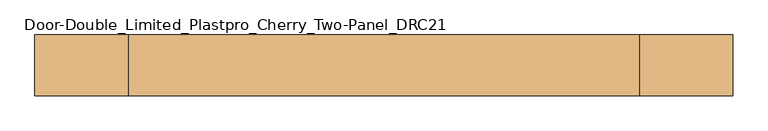
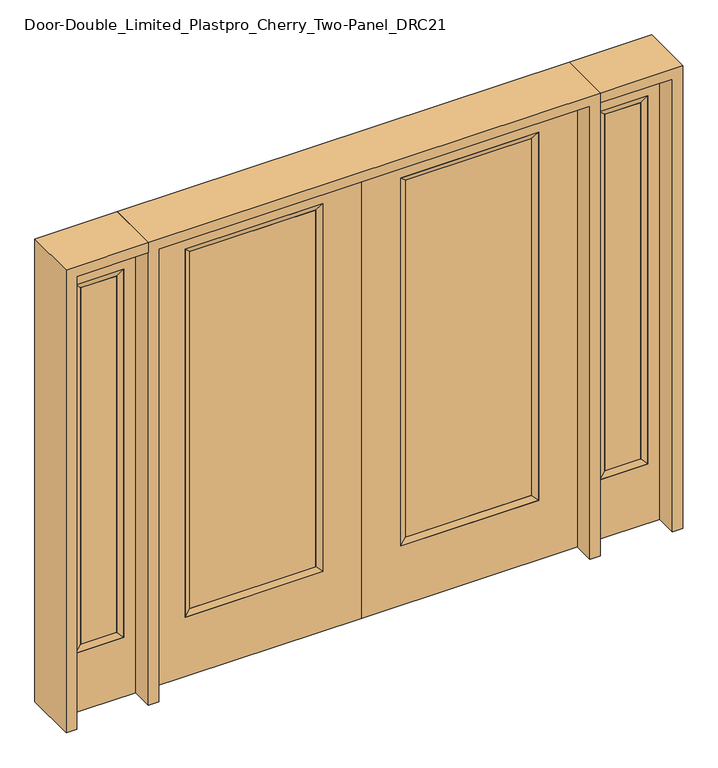
"""IFC4 building model written with IfcOpenShell, lengths in millimetres: door geometry, Door-Double_Limited_Plastpro_Cherry_Two-Panel_DRC21."""

from ifc_helpers import new_model, si_unit, frame, origin, place, context, project, spatial, polyline, outline, extrude, faceted_brep, source, transform, mapped, element, save


def door_double_limited_plastpro_cherry_two_panel_drc21_fe71eadb(model_context):
    return source(origin(), model_context, "Body", "SolidModel", [
        extrude(outline(polyline([(190.5, 12.7), (723.9, 12.7), (723.9, -12.7), (190.5, -12.7), (190.5, 12.7)])), frame((0.0, 0.0, 284.95625), z_axis=(0.0, 0.0, 1.0), x_axis=(1.0, 0.0, 0.0)), (0.0, 0.0, 1.0), 1607.34375),
        faceted_brep([(749.3, 22.225, 1917.7), (749.3, -22.225, 1917.7), (749.3, -22.225, 266.7), (749.3, 22.225, 266.7), (165.1, -22.225, 266.7), (165.1, 22.225, 266.7), (723.9, -12.7, 292.1), (190.5, -12.7, 292.1), (165.1, -22.225, 1917.7), (165.1, 22.225, 1917.7), (723.9, 12.7, 292.1), (190.5, 12.7, 292.1), (723.9, 12.7, 1892.3), (190.5, 12.7, 1892.3), (723.9, -12.7, 1892.3), (190.5, -12.7, 1892.3)], [[[0, 1, 2, 3]], [[3, 2, 4, 5]], [[2, 6, 7, 4]], [[5, 4, 8, 9]], [[10, 3, 5, 11]], [[12, 0, 3, 10]], [[11, 5, 9, 13]], [[6, 10, 11, 7]], [[14, 12, 10, 6]], [[7, 11, 13, 15]], [[1, 14, 6, 2]], [[4, 7, 15, 8]], [[9, 8, 1, 0]], [[13, 9, 0, 12]], [[15, 13, 12, 14]], [[8, 15, 14, 1]]]),
        extrude(outline(polyline([(2032.0, 914.4), (2032.0, 0.0), (0.0, 0.0), (0.0, 914.4), (2032.0, 914.4)]), holes=[polyline([(1917.7, 165.1), (1917.7, 749.3), (266.7, 749.3), (266.7, 165.1), (1917.7, 165.1)])]), frame((0.0, -22.225, 0.0), z_axis=(0.0, 1.0, 0.0), x_axis=(0.0, 0.0, 1.0)), (0.0, 0.0, 1.0), 44.45),
        extrude(outline(polyline([(-190.5, 12.7), (-190.5, -12.7), (-723.9, -12.7), (-723.9, 12.7), (-190.5, 12.7)])), frame((0.0, 0.0, 284.95625), z_axis=(0.0, 0.0, 1.0), x_axis=(1.0, 0.0, 0.0)), (0.0, 0.0, 1.0), 1607.34375),
        faceted_brep([(-749.3, 22.225, 1917.7), (-749.3, 22.225, 266.7), (-749.3, -22.225, 266.7), (-749.3, -22.225, 1917.7), (-165.1, 22.225, 266.7), (-165.1, -22.225, 266.7), (-190.5, -12.7, 292.1), (-723.9, -12.7, 292.1), (-165.1, 22.225, 1917.7), (-165.1, -22.225, 1917.7), (-723.9, 12.7, 292.1), (-190.5, 12.7, 292.1), (-723.9, 12.7, 1892.3), (-190.5, 12.7, 1892.3), (-723.9, -12.7, 1892.3), (-190.5, -12.7, 1892.3)], [[[0, 1, 2, 3]], [[1, 4, 5, 2]], [[2, 5, 6, 7]], [[4, 8, 9, 5]], [[10, 11, 4, 1]], [[12, 10, 1, 0]], [[11, 13, 8, 4]], [[7, 6, 11, 10]], [[14, 7, 10, 12]], [[6, 15, 13, 11]], [[3, 2, 7, 14]], [[5, 9, 15, 6]], [[8, 0, 3, 9]], [[13, 12, 0, 8]], [[15, 14, 12, 13]], [[9, 3, 14, 15]]]),
        extrude(outline(polyline([(2032.0, -914.4), (0.0, -914.4), (0.0, 0.0), (2032.0, 0.0), (2032.0, -914.4)]), holes=[polyline([(1917.7, -165.1), (266.7, -165.1), (266.7, -749.3), (1917.7, -749.3), (1917.7, -165.1)])]), frame((0.0, -22.225, 0.0), z_axis=(0.0, 1.0, 0.0), x_axis=(0.0, 0.0, 1.0)), (0.0, 0.0, 1.0), 44.45),
        faceted_brep([(1009.65, -20.6375, 1917.7), (1009.65, 20.6375, 1917.7), (1009.65, 20.6375, 266.7), (1009.65, -20.6375, 266.7), (1035.05, 12.7, 1892.3), (1035.05, 12.7, 292.1), (1212.85, 20.6375, 266.7), (1212.85, -20.6375, 266.7), (1035.05, -12.7, 1892.3), (1035.05, -12.7, 292.1), (1187.45, -12.7, 292.1), (1187.45, 12.7, 292.1), (1212.85, 20.6375, 1917.7), (1212.85, -20.6375, 1917.7), (1187.45, -12.7, 1892.3), (1187.45, 12.7, 1892.3)], [[[0, 1, 2, 3]], [[1, 4, 5, 2]], [[3, 2, 6, 7]], [[8, 0, 3, 9]], [[9, 3, 7, 10]], [[4, 8, 9, 5]], [[5, 9, 10, 11]], [[2, 5, 11, 6]], [[7, 6, 12, 13]], [[10, 7, 13, 14]], [[11, 10, 14, 15]], [[6, 11, 15, 12]], [[13, 12, 1, 0]], [[14, 13, 0, 8]], [[15, 14, 8, 4]], [[12, 15, 4, 1]]]),
        extrude(outline(polyline([(0.0, 1263.65), (2032.0, 1263.65), (2032.0, 958.85), (0.0, 958.85), (0.0, 1263.65)]), holes=[polyline([(1917.7, 1009.65), (1917.7, 1212.85), (266.7, 1212.85), (266.7, 1009.65), (1917.7, 1009.65)])]), frame((0.0, -20.6375, 0.0), z_axis=(0.0, 1.0, 0.0), x_axis=(0.0, 0.0, 1.0)), (0.0, 0.0, 1.0), 41.275),
        extrude(outline(polyline([(1035.05, 12.7), (1187.45, 12.7), (1187.45, -12.7), (1035.05, -12.7), (1035.05, 12.7)])), frame((0.0, 0.0, 292.1), z_axis=(0.0, 0.0, 1.0), x_axis=(1.0, 0.0, 0.0)), (0.0, 0.0, 1.0), 1600.2),
        faceted_brep([(-1009.65, -20.6375, 1917.7), (-1009.65, -20.6375, 266.7), (-1009.65, 20.6375, 266.7), (-1009.65, 20.6375, 1917.7), (-1035.05, 12.7, 292.1), (-1035.05, 12.7, 1892.3), (-1212.85, -20.6375, 266.7), (-1212.85, 20.6375, 266.7), (-1035.05, -12.7, 1892.3), (-1035.05, -12.7, 292.1), (-1187.45, -12.7, 292.1), (-1187.45, 12.7, 292.1), (-1212.85, -20.6375, 1917.7), (-1212.85, 20.6375, 1917.7), (-1187.45, -12.7, 1892.3), (-1187.45, 12.7, 1892.3)], [[[0, 1, 2, 3]], [[3, 2, 4, 5]], [[1, 6, 7, 2]], [[8, 9, 1, 0]], [[9, 10, 6, 1]], [[5, 4, 9, 8]], [[4, 11, 10, 9]], [[2, 7, 11, 4]], [[6, 12, 13, 7]], [[10, 14, 12, 6]], [[11, 15, 14, 10]], [[7, 13, 15, 11]], [[12, 0, 3, 13]], [[14, 8, 0, 12]], [[15, 5, 8, 14]], [[13, 3, 5, 15]]]),
        extrude(outline(polyline([(0.0, -1263.65), (0.0, -958.85), (2032.0, -958.85), (2032.0, -1263.65), (0.0, -1263.65)]), holes=[polyline([(1917.7, -1009.65), (266.7, -1009.65), (266.7, -1212.85), (1917.7, -1212.85), (1917.7, -1009.65)])]), frame((0.0, -20.6375, 0.0), z_axis=(0.0, 1.0, 0.0), x_axis=(0.0, 0.0, 1.0)), (0.0, 0.0, 1.0), 41.275),
        extrude(outline(polyline([(-1035.05, 12.7), (-1035.05, -12.7), (-1187.45, -12.7), (-1187.45, 12.7), (-1035.05, 12.7)])), frame((0.0, 0.0, 292.1), z_axis=(0.0, 0.0, 1.0), x_axis=(1.0, 0.0, 0.0)), (0.0, 0.0, 1.0), 1600.2),
        extrude(outline(polyline([(2076.45, -958.85), (2076.45, -1308.1), (0.0, -1308.1), (0.0, -1263.65), (2032.0, -1263.65), (2032.0, -958.85), (2076.45, -958.85)])), frame((0.0, -114.3, 0.0), z_axis=(0.0, 1.0, 0.0), x_axis=(0.0, 0.0, 1.0)), (0.0, 0.0, 1.0), 228.6),
        extrude(outline(polyline([(2076.45, -958.85), (0.0, -958.85), (0.0, -914.4), (2032.0, -914.4), (2032.0, 914.4), (0.0, 914.4), (0.0, 958.85), (2076.45, 958.85), (2076.45, -958.85)])), frame((0.0, -114.3, 0.0), z_axis=(0.0, 1.0, 0.0), x_axis=(0.0, 0.0, 1.0)), (0.0, 0.0, 1.0), 228.6),
        extrude(outline(polyline([(0.0, 1308.1), (2076.45, 1308.1), (2076.45, 958.85), (2032.0, 958.85), (2032.0, 1263.65), (0.0, 1263.65), (0.0, 1308.1)])), frame((0.0, -114.3, 0.0), z_axis=(0.0, 1.0, 0.0), x_axis=(0.0, 0.0, 1.0)), (0.0, 0.0, 1.0), 228.6),
    ])


if __name__ == "__main__":
    model = new_model("IFC4")
    model_context = context("Model", 3, world=origin())
    ifc_project = project(units=[si_unit("LENGTHUNIT", "METRE", prefix="MILLI")], contexts=[model_context])
    site = spatial("IfcSite", under=ifc_project)
    building = spatial("IfcBuilding", under=site)
    placement = place(None, origin())
    door_double_limited_plastpro_cherry_two_panel_drc21_shape = door_double_limited_plastpro_cherry_two_panel_drc21_fe71eadb(model_context)
    element("IfcDoor", 1, ObjectType="Door-Double_Limited_Plastpro_Cherry_Two-Panel_DRC21", at=placement, inside=building, context=model_context, shape_type="MappedRepresentation", body=[
        mapped(door_double_limited_plastpro_cherry_two_panel_drc21_shape, transform((0.0, 0.0, 0.0), x_axis=(1.0, 0.0, 0.0), y_axis=(0.0, 1.0, 0.0), z_axis=(0.0, 0.0, 1.0))),
    ])
    save(model, "model.ifc")
